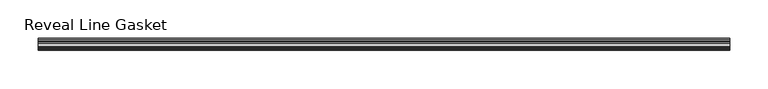
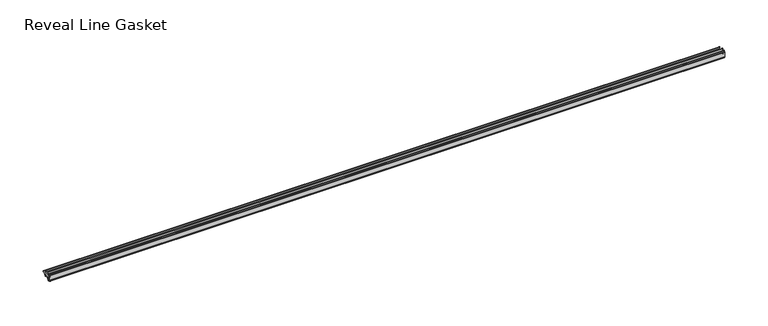
"""IFC4 building model written with IfcOpenShell, lengths in millimetres: furniture geometry, Reveal Line Gasket."""

from ifc_helpers import new_model, si_unit, point, frame, frame_2d, origin, place, context, project, spatial, polyline, circle_curve, trimmed, segment, composite_curve, outline, extrude, source, transform, mapped, element, save


def reveal_line_gasket_2db8b002(model_context):
    return source(origin(), model_context, "Body", "SweptSolid", [
        extrude(outline(composite_curve([segment(polyline([(-7.6326998, 1603.2), (-7.4091917, 1604.1554927), (-6.8813059, 1605.0884684)]), True, "CONTINUOUS"), segment(trimmed(circle_curve(frame_2d((-6.5243141, 1604.8864793)), 0.4101739), [point((-6.8813059, 1605.0884684))], [point((-6.1246704, 1604.7941347))], False, "CARTESIAN"), True, "CONTINUOUS"), segment(polyline([(-6.1246704, 1604.7941347), (-6.3626997, 1603.0979086), (-6.3626997, 1601.0654527)]), True, "CONTINUOUS"), segment(trimmed(circle_curve(frame_2d((-5.6959605, 1601.4819258)), 0.786124), [point((-6.3626997, 1601.0654527))], [point((-5.0926996, 1600.977875))], True, "CARTESIAN"), True, "CONTINUOUS"), segment(polyline([(-5.0926996, 1600.977875), (-0.7492996, 1600.977875), (-3.7293824, 1606.1395295)]), True, "CONTINUOUS"), segment(trimmed(circle_curve(frame_2d((-3.3132479, 1606.2049761)), 0.4212495), [point((-3.7293824, 1606.1395295))], [point((-3.0485022, 1606.5326358))], False, "CARTESIAN"), True, "CONTINUOUS"), segment(polyline([(-3.0485022, 1606.5326358), (0.5742594, 1600.977875), (4.8262978, 1600.977875), (3.1660374, 1603.8535297)]), True, "CONTINUOUS"), segment(trimmed(circle_curve(frame_2d((3.5978728, 1603.9118855)), 0.4357605), [point((3.1660374, 1603.8535297))], [point((3.864328, 1604.2566881))], False, "CARTESIAN"), True, "CONTINUOUS"), segment(polyline([(3.864328, 1604.2566881), (6.1944059, 1600.977875), (7.6326998, 1600.977875), (7.6326998, 1599.422125), (6.1944059, 1599.422125), (3.864328, 1596.1433119)]), True, "CONTINUOUS"), segment(trimmed(circle_curve(frame_2d((3.5978728, 1596.4881145)), 0.4357605), [point((3.864328, 1596.1433119))], [point((3.1660374, 1596.5464703))], False, "CARTESIAN"), True, "CONTINUOUS"), segment(polyline([(3.1660374, 1596.5464703), (4.8262978, 1599.422125), (0.5742594, 1599.422125), (-3.0485022, 1593.8673642)]), True, "CONTINUOUS"), segment(trimmed(circle_curve(frame_2d((-3.3132479, 1594.1950239)), 0.4212495), [point((-3.0485022, 1593.8673642))], [point((-3.7293824, 1594.2604705))], False, "CARTESIAN"), True, "CONTINUOUS"), segment(polyline([(-3.7293824, 1594.2604705), (-0.7492996, 1599.422125), (-5.0926996, 1599.422125)]), True, "CONTINUOUS"), segment(trimmed(circle_curve(frame_2d((-5.6959605, 1598.9180742)), 0.786124), [point((-5.0926996, 1599.422125))], [point((-6.3626997, 1599.3345473))], True, "CARTESIAN"), True, "CONTINUOUS"), segment(polyline([(-6.3626997, 1599.3345473), (-6.3626997, 1597.3020914), (-6.1246704, 1595.6058653)]), True, "CONTINUOUS"), segment(trimmed(circle_curve(frame_2d((-6.5243141, 1595.5135207)), 0.4101739), [point((-6.1246704, 1595.6058653))], [point((-6.8813059, 1595.3115316))], False, "CARTESIAN"), True, "CONTINUOUS"), segment(polyline([(-6.8813059, 1595.3115316), (-7.4091917, 1596.2445073), (-7.6326998, 1597.2), (-7.6326998, 1603.2)]), True, "CONTINUOUS")], self_intersect=False)), frame((-448.9704, 0.0, 0.0), z_axis=(1.0, 0.0, 0.0), x_axis=(0.0, 1.0, 0.0)), (0.0, 0.0, 1.0), 897.9408),
    ])


if __name__ == "__main__":
    model = new_model("IFC4")
    model_context = context("Model", 3, world=origin())
    ifc_project = project(units=[si_unit("LENGTHUNIT", "METRE", prefix="MILLI")], contexts=[model_context])
    site = spatial("IfcSite", under=ifc_project)
    building = spatial("IfcBuilding", under=site)
    placement = place(None, origin())
    reveal_line_gasket_shape = reveal_line_gasket_2db8b002(model_context)
    element("IfcFurniture", 1, ObjectType="Reveal Line Gasket", at=placement, inside=building, context=model_context, shape_type="MappedRepresentation", body=[
        mapped(reveal_line_gasket_shape, transform((0.0, 0.0, 0.0), x_axis=(1.0, 0.0, 0.0), y_axis=(0.0, 1.0, 0.0), z_axis=(0.0, 0.0, 1.0))),
    ])
    save(model, "model.ifc")
